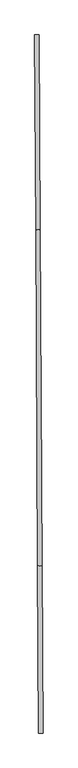
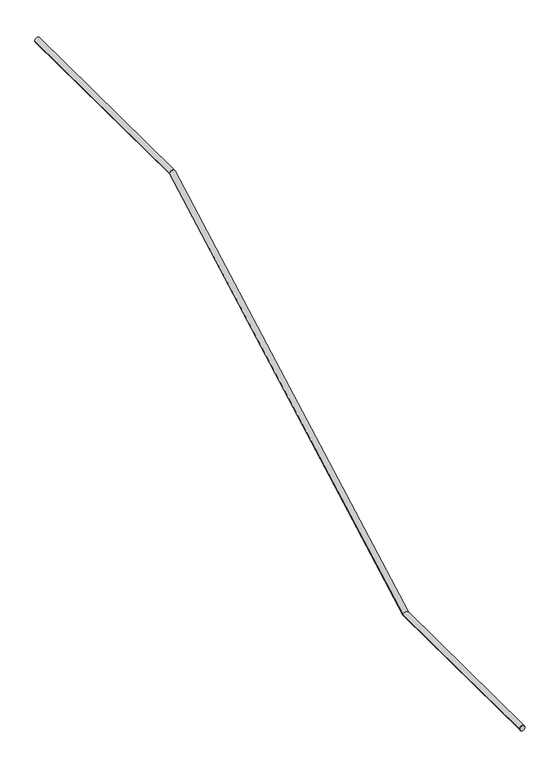
"""IFC4 building model written with IfcOpenShell, lengths in millimetres: railing geometry."""

from ifc_helpers import new_model, si_unit, frame, origin, place, context, project, spatial, circle_curve, ellipse_curve, source, transform, mapped, element, save
from ifc_brep_helpers import plane_surface, cylinder_surface, advanced_brep


def railing_00a24a67(model_context):
    return source(origin(), model_context, "Body", "AdvancedBrep", [
        advanced_brep(
        [(-53099.1022168, -23504.7638384, -6120.0), (-53139.1015767, -23504.9901336, -6120.0), (-53107.5618088, -22009.4676209, -6120.0), (-53147.5611686, -22009.693916, -6120.0), (-53124.5162487, -19012.6434089, -4440.0), (-53164.5156086, -19012.8697041, -4440.0), (-53134.3096826, -17281.5806356, -4440.0), (-53174.3090425, -17281.8069307, -4440.0)],
        [
            (0, 1, circle_curve(frame((-53119.1018968, -23504.876986, -6120.0), z_axis=(0.00565737841323043, -0.9999839969066953, 0.0), x_axis=(-0.9999839969066953, -0.00565737841323043, 0.0)), 20.0)),
            (1, 0, circle_curve(frame((-53119.1018968, -23504.876986, -6120.0), z_axis=(0.00565737841323043, -0.9999839969066953, 0.0), x_axis=(-0.9999839969066953, -0.00565737841323043, 0.0)), 20.0)),
            (0, 2),
            (2, 3, ellipse_curve(frame((-53127.5614887, -22009.5807684, -6120.0), z_axis=(0.0054737710202305435, -0.9675300153444782, -0.2526968682796282), x_axis=(0.0014296018076967911, -0.2526928243480669, 0.9675454990653765)), 20.6708625, 20.0)),
            (3, 1),
            (3, 2, ellipse_curve(frame((-53127.5614887, -22009.5807684, -6120.0), z_axis=(0.0054737710202305435, -0.9675300153444782, -0.2526968682796282), x_axis=(0.0014296018076967911, -0.2526928243480669, 0.9675454990653765)), 20.6708625, 20.0)),
            (2, 4),
            (4, 5, ellipse_curve(frame((-53144.5159286, -19012.7565565, -4440.0), z_axis=(0.0054737710202304255, -0.9675300153444784, -0.2526968682796283), x_axis=(-0.0014296018076963453, 0.2526928243480687, -0.967545499065376)), 20.6708625, 20.0)),
            (5, 3),
            (5, 4, ellipse_curve(frame((-53144.5159286, -19012.7565565, -4440.0), z_axis=(0.0054737710202304255, -0.9675300153444784, -0.2526968682796283), x_axis=(-0.0014296018076963453, 0.2526928243480687, -0.967545499065376)), 20.6708625, 20.0)),
            (6, 7, circle_curve(frame((-53154.3093625, -17281.6937832, -4440.0), z_axis=(-0.0056573784132302, 0.9999839969066954, 0.0), x_axis=(-0.9999839969066954, -0.0056573784132302, 0.0)), 20.0)),
            (7, 6, circle_curve(frame((-53154.3093625, -17281.6937832, -4440.0), z_axis=(-0.0056573784132302, 0.9999839969066954, 0.0), x_axis=(-0.9999839969066954, -0.0056573784132302, 0.0)), 20.0)),
            (4, 6),
            (7, 5),
        ],
        [
            plane_surface(frame((-53119.1018968, -23504.876986, -6120.0), z_axis=(0.00565737841323043, -0.9999839969066953, 0.0), x_axis=(0.9999839969066953, 0.00565737841323043, 0.0))),
            cylinder_surface(frame((-53119.1018968, -23504.876986, -6120.0), z_axis=(0.00565737841323043, -0.9999839969066953, 0.0), x_axis=(-0.9999839969066953, -0.00565737841323043, 0.0)), 20.0),
            cylinder_surface(frame((-53127.5614887, -22009.5807684, -6120.0), z_axis=(0.004934866613846681, -0.8722746262077138, -0.4889914350637411), x_axis=(-0.9999839969066953, -0.0056573784132300815, 0.0)), 20.0),
            plane_surface(frame((-53154.3093625, -17281.6937832, -4440.0), z_axis=(-0.005657378413230196, 0.9999839969066953, 0.0), x_axis=(0.9999839969066953, 0.005657378413230196, 0.0))),
            cylinder_surface(frame((-53144.5159286, -19012.7565565, -4440.0), z_axis=(0.0056573784132302, -0.9999839969066954, 0.0), x_axis=(-0.9999839969066954, -0.0056573784132302, 0.0)), 20.0),
        ],
        [
            (0, [[1, 2]]),
            (1, [[-1, 3, 4, 5]]),
            (1, [[-2, -5, 6, -3]]),
            (2, [[-4, 7, 8, 9]]),
            (2, [[-6, -9, 10, -7]]),
            (3, [[11, 12]]),
            (4, [[-8, 13, -12, 14]]),
            (4, [[-10, -14, -11, -13]]),
        ],
    ),
    ])


if __name__ == "__main__":
    model = new_model("IFC4")
    model_context = context("Model", 3, world=origin())
    ifc_project = project(units=[si_unit("LENGTHUNIT", "METRE", prefix="MILLI")], contexts=[model_context])
    site = spatial("IfcSite", under=ifc_project)
    building = spatial("IfcBuilding", under=site)
    placement = place(None, origin())
    railing_shape = railing_00a24a67(model_context)
    element("IfcRailing", 1, at=placement, inside=building, context=model_context, shape_type="MappedRepresentation", body=[
        mapped(railing_shape, transform((0.0, 0.0, 0.0), x_axis=(1.0, 0.0, 0.0), y_axis=(0.0, 1.0, 0.0), z_axis=(0.0, 0.0, 1.0))),
    ])
    save(model, "model.ifc")
